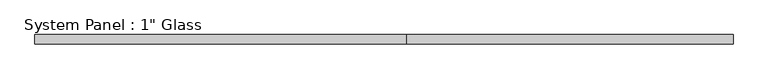
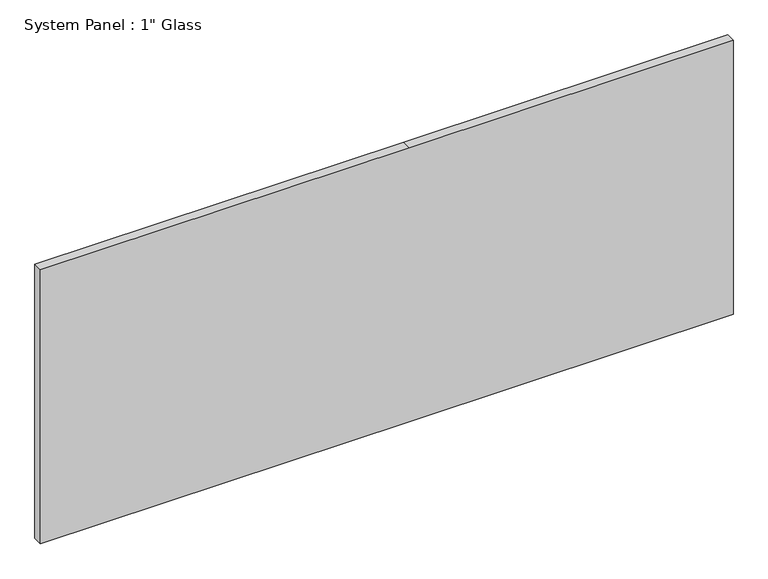
"""IFC4 building model written with IfcOpenShell, lengths in millimetres: plate geometry."""

import ifcopenshell
import ifcopenshell.guid

model = None  # the IFC model being written
_history = None  # IfcOwnerHistory: only IFC2X3 demands one
_inside = {}  # id of a spatial element -> (the spatial element, [elements in it])
_under = {}  # id of a project, library or spatial element -> (it, [spatial elements below it])
_declared = {}  # id of a project -> (the project, [libraries it declares])
_typed = {}  # id of a type object -> (the type object, [elements of that type])
_made_of = {}  # id of a material, layer set ... -> (it, [elements and type objects made of it])


def new_model(schema):
    """Start an empty IFC model of exactly this schema.

    Asked for "IFC4X3", IfcOpenShell would pick the latest addendum, in which some entities
    have other attributes; the version numbers below select the first issue.
    IFC2X3 requires an IfcOwnerHistory on every rooted entity: one is made here for all.
    """
    global model, _history
    if schema == "IFC4X3":
        model = ifcopenshell.file(schema_version=(4, 3, 0, 0))
    else:
        model = ifcopenshell.file(schema=schema)
    _inside.clear()
    _under.clear()
    _declared.clear()
    _typed.clear()
    _made_of.clear()
    _history = None
    if model.schema == "IFC2X3":
        org = make("IfcOrganization", Name="unknown")
        user = make(
            "IfcPersonAndOrganization",
            ThePerson=make("IfcPerson", FamilyName="unknown"),
            TheOrganization=org,
        )
        app = make(
            "IfcApplication",
            ApplicationDeveloper=org,
            Version="unknown",
            ApplicationFullName="unknown",
            ApplicationIdentifier="unknown",
        )
        _history = make(
            "IfcOwnerHistory",
            OwningUser=user,
            OwningApplication=app,
            ChangeAction="ADDED",
            CreationDate=0,
        )
    return model


def make(cls, **values):
    """One entity of the class cls with the attributes given. An attribute that is None is left unset."""
    return model.create_entity(
        cls, **{name: value for name, value in values.items() if value is not None}
    )


def rooted(cls, **values):
    """An entity with a GlobalId (a new one), such as an element, a storey or a relation."""
    return make(cls, GlobalId=ifcopenshell.guid.new(), OwnerHistory=_history, **values)


def si_unit(unit_type, name, prefix=None):
    """IfcSIUnit, for example si_unit("LENGTHUNIT", "METRE", prefix="MILLI")."""
    return make("IfcSIUnit", UnitType=unit_type, Prefix=prefix, Name=name)


def assignment(units):
    """IfcUnitAssignment: the units of a project."""
    return None if units is None else make("IfcUnitAssignment", Units=units)


def point(xyz):
    """IfcCartesianPoint."""
    return None if xyz is None else make("IfcCartesianPoint", Coordinates=xyz)


def direction(xyz):
    """IfcDirection."""
    return None if xyz is None else make("IfcDirection", DirectionRatios=xyz)


def frame(location, z_axis=None, x_axis=None):
    """IfcAxis2Placement3D, a coordinate frame: its origin and axes. An axis left out is left unset."""
    return make(
        "IfcAxis2Placement3D",
        Location=point(location),
        Axis=direction(z_axis),
        RefDirection=direction(x_axis),
    )


def origin():
    """The frame at (0, 0, 0) with its axes left unset."""
    return frame((0.0, 0.0, 0.0))


def place(relative_to, where):
    """IfcLocalPlacement: puts the frame where relative to a parent placement (None: the world)."""
    return make(
        "IfcLocalPlacement", PlacementRelTo=relative_to, RelativePlacement=where
    )


def context(
    kind, dimensions, precision=None, world=None, true_north=None, identifier=None
):
    """IfcGeometricRepresentationContext, for example the 3D "Model" context."""
    return make(
        "IfcGeometricRepresentationContext",
        ContextIdentifier=identifier,
        ContextType=kind,
        CoordinateSpaceDimension=dimensions,
        Precision=precision,
        WorldCoordinateSystem=world,
        TrueNorth=true_north,
    )


def project(units=None, contexts=None):
    """IfcProject with its units and contexts."""
    return rooted(
        "IfcProject",
        Name="project",
        RepresentationContexts=contexts,
        UnitsInContext=assignment(units),
    )


def spatial(cls, under=None, at=None, **own):
    """A site, building, storey or space (cls), placed at a placement, below another one or the project."""
    s = rooted(cls, ObjectPlacement=at, **own)
    if under is not None:
        _under.setdefault(under.id(), (under, []))[1].append(s)
    return s


def polyline(points):
    """IfcPolyline through the points."""
    return make("IfcPolyline", Points=[point(p) for p in points])


def outline(outer, holes=None, kind="AREA"):
    """IfcArbitraryClosedProfileDef: a profile drawn as a closed curve; with holes, ...WithVoids."""
    if holes is None:
        return make("IfcArbitraryClosedProfileDef", ProfileType=kind, OuterCurve=outer)
    return make(
        "IfcArbitraryProfileDefWithVoids",
        ProfileType=kind,
        OuterCurve=outer,
        InnerCurves=holes,
    )


def extrude(swept, where, along, depth):
    """IfcExtrudedAreaSolid: the profile swept, set in the frame where, extruded along a direction by depth."""
    return make(
        "IfcExtrudedAreaSolid",
        SweptArea=swept,
        Position=where,
        ExtrudedDirection=direction(along),
        Depth=depth,
    )


def shape(context_of_items, identifier, shape_type, items):
    """IfcShapeRepresentation: the items that make up one representation, for example the "Body"."""
    return make(
        "IfcShapeRepresentation",
        ContextOfItems=context_of_items,
        RepresentationIdentifier=identifier,
        RepresentationType=shape_type,
        Items=items,
    )


def source(mapping_origin, context_of_items, identifier, shape_type, items):
    """IfcRepresentationMap: a shape defined once, which mapped items show again and again."""
    return make(
        "IfcRepresentationMap",
        MappingOrigin=mapping_origin,
        MappedRepresentation=shape(context_of_items, identifier, shape_type, items),
    )


def transform(
    local_origin,
    x_axis=None,
    y_axis=None,
    z_axis=None,
    scale=None,
    scale2=None,
    scale3=None,
    uniform=True,
):
    """IfcCartesianTransformationOperator3D, or its non-uniform kind. x_axis, y_axis, z_axis: its Axis1, 2, 3."""
    if uniform:
        return make(
            "IfcCartesianTransformationOperator3D",
            Axis1=direction(x_axis),
            Axis2=direction(y_axis),
            LocalOrigin=point(local_origin),
            Scale=scale,
            Axis3=direction(z_axis),
        )
    return make(
        "IfcCartesianTransformationOperator3DnonUniform",
        Axis1=direction(x_axis),
        Axis2=direction(y_axis),
        LocalOrigin=point(local_origin),
        Scale=scale,
        Axis3=direction(z_axis),
        Scale2=scale2,
        Scale3=scale3,
    )


def mapped(mapping_source, mapping_target):
    """IfcMappedItem: shows the shape of a source again, moved by a transform."""
    return make(
        "IfcMappedItem", MappingSource=mapping_source, MappingTarget=mapping_target
    )


def made_of(thing, what):
    """Note that an element or type object is made of a material, layer set ...; save() writes the relation."""
    if what is not None:
        _made_of.setdefault(what.id(), (what, []))[1].append(thing)
    return thing


def element(
    cls,
    number,
    at=None,
    inside=None,
    cuts=None,
    type_object=None,
    material=None,
    context=None,
    identifier="Body",
    shape_type=None,
    held_by="IfcProductDefinitionShape",
    body=None,
    shapes=None,
    **own,
):
    """One element of the class cls, such as IfcWall. Its Tag is "e" and its number.

    at: its placement. inside: the storey or other place that contains it. cuts: it is an
    opening in that element (IfcRelVoidsElement). A single representation is given by context,
    identifier, shape_type and body (its items); several are given by shapes. held_by: the class
    of the entity that holds the representations. save() writes the other relations.
    """
    e = rooted(cls, Tag="e%d" % number, ObjectPlacement=at, **own)
    if body is not None:
        shapes = [shape(context, identifier, shape_type, body)]
    if shapes is not None:
        e.Representation = make(held_by, Representations=shapes)
    if inside is not None:
        _inside.setdefault(inside.id(), (inside, []))[1].append(e)
    if cuts is not None:
        rooted(
            "IfcRelVoidsElement", RelatingBuildingElement=cuts, RelatedOpeningElement=e
        )
    if type_object is not None:
        _typed.setdefault(type_object.id(), (type_object, []))[1].append(e)
    return made_of(e, material)


def aggregate(whole, parts):
    """IfcRelAggregates: a whole, such as a stair, and the parts it consists of."""
    return rooted("IfcRelAggregates", RelatingObject=whole, RelatedObjects=parts)


def save(model, path):
    """Write the relations noted so far, then the file.

    IfcRelAggregates (storeys below a building ...), IfcRelContainedInSpatialStructure (elements
    in a storey), IfcRelDefinesByType, IfcRelAssociatesMaterial and IfcRelDeclares: one each for
    every whole, place, type object, material and project.
    """
    for whole, parts in _under.values():
        aggregate(whole, parts)
    for where, things in _inside.values():
        rooted(
            "IfcRelContainedInSpatialStructure",
            RelatedElements=things,
            RelatingStructure=where,
        )
    for kind, things in _typed.values():
        rooted("IfcRelDefinesByType", RelatedObjects=things, RelatingType=kind)
    for what, things in _made_of.values():
        rooted("IfcRelAssociatesMaterial", RelatedObjects=things, RelatingMaterial=what)
    for by, libraries in _declared.values():
        rooted("IfcRelDeclares", RelatingContext=by, RelatedDefinitions=libraries)
    model.write(path)


def plate_834008cb(model_context):
    return source(origin(), model_context, "Body", "SweptSolid", [
        extrude(outline(polyline([(0.0, -930.275), (0.0, 60.325), (0.0, 930.275), (777.875, 930.275), (777.875, 60.325), (777.875, -930.275), (0.0, -930.275)])), frame((0.0, -12.7, 0.0), z_axis=(0.0, 1.0, 0.0), x_axis=(0.0, 0.0, 1.0)), (0.0, 0.0, 1.0), 25.4),
    ])


if __name__ == "__main__":
    model = new_model("IFC4")
    model_context = context("Model", 3, world=origin())
    ifc_project = project(units=[si_unit("LENGTHUNIT", "METRE", prefix="MILLI")], contexts=[model_context])
    site = spatial("IfcSite", under=ifc_project)
    building = spatial("IfcBuilding", under=site)
    placement = place(None, origin())
    plate_shape = plate_834008cb(model_context)
    element("IfcPlate", 1, ObjectType="System Panel : 1\" Glass", at=placement, inside=building, context=model_context, shape_type="MappedRepresentation", body=[
        mapped(plate_shape, transform((0.0, 0.0, 0.0), x_axis=(1.0, 0.0, 0.0), y_axis=(0.0, 1.0, 0.0), z_axis=(0.0, 0.0, 1.0))),
    ])
    save(model, "model.ifc")
